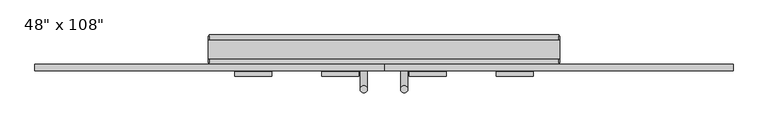
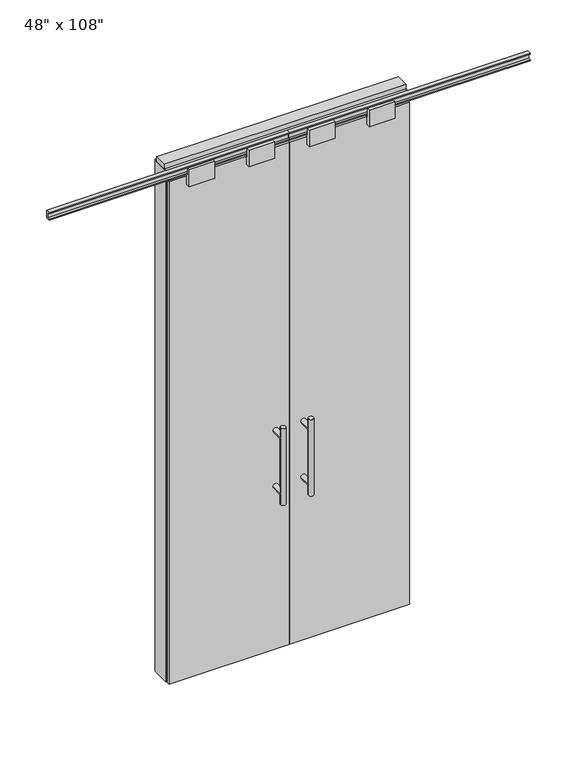
"""IFC4 building model written with IfcOpenShell, lengths in millimetres: furniture geometry."""

from ifc_helpers import new_model, si_unit, frame, origin, origin_with_axes, place, context, project, spatial, polyline, circle_curve, ellipse_curve, outline, extrude, source, transform, mapped, element, save
from ifc_brep_helpers import plane_surface, cylinder_surface, advanced_brep


def furniture_e6066966(model_context):
    return source(origin(), model_context, "Body", "SolidModel", [
        extrude(outline(polyline([(-665.6995229, -74.3677216), (-665.6995229, -64.2077216), (-60.0365229, -64.2077216), (-60.0365229, -74.3677216), (-665.6995229, -74.3677216)])), origin_with_axes(), (0.0, 0.0, 1.0), 2670.81),
        advanced_brep(
        [(-117.3135229, 3.3562784, 1219.2), (-142.7135229, 3.3562784, 1219.2), (-117.3135229, 3.3562784, 812.8), (-142.7135229, 3.3562784, 812.8), (-117.3135229, 3.3562784, 1164.336), (-117.3135229, 3.3562784, 867.664), (-142.7135229, 3.3562784, 867.664), (-142.7135229, 3.3562784, 1164.336), (-117.3135229, -64.2077216, 1164.336), (-142.7135229, -64.2077216, 1164.336), (-117.3135229, -64.2077216, 867.664), (-142.7135229, -64.2077216, 867.664)],
        [
            (0, 1, circle_curve(frame((-130.0135229, 3.3562784, 1219.2), z_axis=(0.0, 0.0, 1.0), x_axis=(-1.0, 0.0, 0.0)), 12.7)),
            (1, 0, circle_curve(frame((-130.0135229, 3.3562784, 1219.2), z_axis=(0.0, 0.0, 1.0), x_axis=(-1.0, 0.0, 0.0)), 12.7)),
            (2, 3, circle_curve(frame((-130.0135229, 3.3562784, 812.8), z_axis=(0.0, 0.0, -1.0), x_axis=(-1.0, 0.0, 0.0)), 12.7)),
            (3, 2, circle_curve(frame((-130.0135229, 3.3562784, 812.8), z_axis=(0.0, 0.0, -1.0), x_axis=(-1.0, 0.0, 0.0)), 12.7)),
            (0, 4),
            (4, 5),
            (5, 2),
            (3, 6),
            (6, 7),
            (7, 1),
            (7, 4, ellipse_curve(frame((-130.0135229, 3.3562784, 1164.336), z_axis=(0.0, 0.707106781186565, 0.70710678118653), x_axis=(0.0, -0.70710678118653, 0.707106781186565)), 17.9605122, 12.7)),
            (5, 6, ellipse_curve(frame((-130.0135229, 3.3562784, 867.664), z_axis=(0.0, 0.70710678118653, -0.7071067811865649), x_axis=(0.0, 0.7071067811865648, 0.7071067811865301)), 17.9605122, 12.7)),
            (4, 7, ellipse_curve(frame((-130.0135229, 3.3562784, 1164.336), z_axis=(0.0, 0.70710678118653, -0.7071067811865649), x_axis=(0.0, 0.7071067811865648, 0.7071067811865301)), 17.9605122, 12.7)),
            (6, 5, ellipse_curve(frame((-130.0135229, 3.3562784, 867.664), z_axis=(0.0, 0.707106781186565, 0.70710678118653), x_axis=(0.0, -0.70710678118653, 0.707106781186565)), 17.9605122, 12.7)),
            (8, 9, circle_curve(frame((-130.0135229, -64.2077216, 1164.336), z_axis=(0.0, -1.0, 0.0), x_axis=(-1.0, 0.0, 0.0)), 12.7)),
            (9, 8, circle_curve(frame((-130.0135229, -64.2077216, 1164.336), z_axis=(0.0, -1.0, 0.0), x_axis=(-1.0, 0.0, 0.0)), 12.7)),
            (9, 7),
            (4, 8),
            (10, 11, circle_curve(frame((-130.0135229, -64.2077216, 867.664), z_axis=(0.0, -1.0, 0.0), x_axis=(-1.0, 0.0, 0.0)), 12.7)),
            (11, 10, circle_curve(frame((-130.0135229, -64.2077216, 867.664), z_axis=(0.0, -1.0, 0.0), x_axis=(-1.0, 0.0, 0.0)), 12.7)),
            (11, 6),
            (5, 10),
        ],
        [
            plane_surface(frame((-142.7135229, 3.3562784, 1219.2), z_axis=(0.0, 0.0, 1.0), x_axis=(0.0, -1.0, 0.0))),
            plane_surface(frame((-142.7135229, 3.3562784, 812.8), z_axis=(0.0, 0.0, -1.0), x_axis=(0.0, 1.0, 0.0))),
            cylinder_surface(frame((-130.0135229, 3.3562784, 812.8), z_axis=(0.0, 0.0, 1.0), x_axis=(-1.0, 0.0, 0.0)), 12.7),
            plane_surface(frame((-142.7135229, -64.2077216, 1164.336), z_axis=(0.0, -1.0, 0.0), x_axis=(0.0, 0.0, -1.0))),
            cylinder_surface(frame((-130.0135229, -64.2077216, 1164.336), z_axis=(0.0, 1.0, 0.0), x_axis=(-1.0, 0.0, 0.0)), 12.7),
            plane_surface(frame((-142.7135229, -64.2077216, 867.664), z_axis=(0.0, -1.0, 0.0), x_axis=(0.0, 0.0, -1.0))),
            cylinder_surface(frame((-130.0135229, -64.2077216, 867.664), z_axis=(0.0, 1.0, 0.0), x_axis=(-1.0, 0.0, 0.0)), 12.7),
        ],
        [
            (0, [[1, 2]]),
            (1, [[3, 4]]),
            (2, [[-1, 5, 6, 7, -4, 8, 9, 10]]),
            (2, [[-2, -10, 11, -5]]),
            (2, [[-3, -7, 12, -8]]),
            (2, [[13, -9, 14, -6]]),
            (3, [[15, 16]]),
            (4, [[-16, 17, -13, 18]]),
            (4, [[-15, -18, -11, -17]]),
            (5, [[19, 20]]),
            (6, [[-20, 21, -12, 22]]),
            (6, [[-19, -22, -14, -21]]),
        ],
    ),
        advanced_brep(
        [(-117.3135229, -141.9317216, 1219.2), (-142.7135229, -141.9317216, 1219.2), (-117.3135229, -141.9317216, 812.8), (-142.7135229, -141.9317216, 812.8), (-142.7135229, -141.9317216, 1164.336), (-142.7135229, -141.9317216, 867.664), (-117.3135229, -141.9317216, 867.664), (-117.3135229, -141.9317216, 1164.336), (-117.3135229, -74.3677216, 1164.336), (-142.7135229, -74.3677216, 1164.336), (-117.3135229, -74.3677216, 867.664), (-142.7135229, -74.3677216, 867.664)],
        [
            (0, 1, circle_curve(frame((-130.0135229, -141.9317216, 1219.2), z_axis=(0.0, 0.0, 1.0), x_axis=(-1.0, 0.0, 0.0)), 12.7)),
            (1, 0, circle_curve(frame((-130.0135229, -141.9317216, 1219.2), z_axis=(0.0, 0.0, 1.0), x_axis=(-1.0, 0.0, 0.0)), 12.7)),
            (2, 3, circle_curve(frame((-130.0135229, -141.9317216, 812.8), z_axis=(0.0, 0.0, -1.0), x_axis=(-1.0, 0.0, 0.0)), 12.7)),
            (3, 2, circle_curve(frame((-130.0135229, -141.9317216, 812.8), z_axis=(0.0, 0.0, -1.0), x_axis=(-1.0, 0.0, 0.0)), 12.7)),
            (1, 4),
            (4, 5),
            (5, 3),
            (2, 6),
            (6, 7),
            (7, 0),
            (6, 5, ellipse_curve(frame((-130.0135229, -141.9317216, 867.664), z_axis=(0.0, -0.707106781186565, 0.70710678118653), x_axis=(0.0, 0.70710678118653, 0.707106781186565)), 17.9605122, 12.7)),
            (4, 7, ellipse_curve(frame((-130.0135229, -141.9317216, 1164.336), z_axis=(0.0, -0.70710678118653, -0.7071067811865649), x_axis=(0.0, -0.7071067811865648, 0.7071067811865301)), 17.9605122, 12.7)),
            (7, 4, ellipse_curve(frame((-130.0135229, -141.9317216, 1164.336), z_axis=(0.0, -0.707106781186565, 0.70710678118653), x_axis=(0.0, 0.70710678118653, 0.707106781186565)), 17.9605122, 12.7)),
            (5, 6, ellipse_curve(frame((-130.0135229, -141.9317216, 867.664), z_axis=(0.0, -0.70710678118653, -0.7071067811865649), x_axis=(0.0, -0.7071067811865648, 0.7071067811865301)), 17.9605122, 12.7)),
            (8, 9, circle_curve(frame((-130.0135229, -74.3677216, 1164.336), z_axis=(0.0, 1.0, 0.0), x_axis=(-1.0, 0.0, 0.0)), 12.7)),
            (9, 8, circle_curve(frame((-130.0135229, -74.3677216, 1164.336), z_axis=(0.0, 1.0, 0.0), x_axis=(-1.0, 0.0, 0.0)), 12.7)),
            (8, 7),
            (4, 9),
            (10, 11, circle_curve(frame((-130.0135229, -74.3677216, 867.664), z_axis=(0.0, 1.0, 0.0), x_axis=(-1.0, 0.0, 0.0)), 12.7)),
            (11, 10, circle_curve(frame((-130.0135229, -74.3677216, 867.664), z_axis=(0.0, 1.0, 0.0), x_axis=(-1.0, 0.0, 0.0)), 12.7)),
            (10, 6),
            (5, 11),
        ],
        [
            plane_surface(frame((-142.7135229, -141.9317216, 1219.2), z_axis=(0.0, 0.0, 1.0), x_axis=(0.0, 1.0, 0.0))),
            plane_surface(frame((-142.7135229, -141.9317216, 812.8), z_axis=(0.0, 0.0, -1.0), x_axis=(0.0, -1.0, 0.0))),
            cylinder_surface(frame((-130.0135229, -141.9317216, 812.8), z_axis=(0.0, 0.0, 1.0), x_axis=(-1.0, 0.0, 0.0)), 12.7),
            plane_surface(frame((-142.7135229, -74.3677216, 1164.336), z_axis=(0.0, 1.0, 0.0), x_axis=(0.0, 0.0, -1.0))),
            cylinder_surface(frame((-130.0135229, -74.3677216, 1164.336), z_axis=(0.0, -1.0, 0.0), x_axis=(-1.0, 0.0, 0.0)), 12.7),
            plane_surface(frame((-142.7135229, -74.3677216, 867.664), z_axis=(0.0, 1.0, 0.0), x_axis=(0.0, 0.0, -1.0))),
            cylinder_surface(frame((-130.0135229, -74.3677216, 867.664), z_axis=(0.0, -1.0, 0.0), x_axis=(-1.0, 0.0, 0.0)), 12.7),
        ],
        [
            (0, [[1, 2]]),
            (1, [[3, 4]]),
            (2, [[5, 6, 7, -3, 8, 9, 10, -2]]),
            (2, [[-9, 11, -6, 12]]),
            (2, [[-10, 13, -5, -1]]),
            (2, [[-7, 14, -8, -4]]),
            (3, [[15, 16]]),
            (4, [[17, -12, 18, -15]]),
            (4, [[-18, -13, -17, -16]]),
            (5, [[19, 20]]),
            (6, [[21, -14, 22, -19]]),
            (6, [[-22, -11, -21, -20]]),
        ],
    ),
        extrude(outline(polyline([(-63.1282216, 2628.9), (-63.1282216, 2670.81), (-75.4472216, 2670.81), (-75.4472216, 2628.9), (-97.6722216, 2628.9), (-97.6722216, 2717.8), (-82.1782216, 2717.8), (-82.1782216, 2676.779), (-59.5722216, 2676.779), (-59.5722216, 2628.9), (-63.1282216, 2628.9)])), frame((-276.3175229, 0.0, 0.0), z_axis=(1.0, 0.0, 0.0), x_axis=(0.0, 1.0, 0.0)), (0.0, 0.0, 1.0), 128.016),
        extrude(outline(polyline([(-63.1282216, 2628.9), (-63.1282216, 2670.81), (-75.4472216, 2670.81), (-75.4472216, 2628.9), (-97.6722216, 2628.9), (-97.6722216, 2717.8), (-82.1782216, 2717.8), (-82.1782216, 2676.779), (-59.5722216, 2676.779), (-59.5722216, 2628.9), (-63.1282216, 2628.9)])), frame((-577.4345229, 0.0, 0.0), z_axis=(1.0, 0.0, 0.0), x_axis=(0.0, 1.0, 0.0)), (0.0, 0.0, 1.0), 128.016),
        extrude(outline(polyline([(-77.9237216, 2681.478), (-77.9237216, 2686.812), (-65.2237216, 2686.812), (-65.2237216, 2715.768), (-77.9237216, 2715.768), (-77.9237216, 2721.102), (-56.2067216, 2721.102), (-56.2067216, 2681.478), (-77.9237216, 2681.478)])), frame((-1271.3625229, 0.0, 0.0), z_axis=(1.0, 0.0, 0.0), x_axis=(0.0, 1.0, 0.0)), (0.0, 0.0, 1.0), 1211.326),
        extrude(outline(polyline([(545.6264771, -74.3677216), (-60.0365229, -74.3677216), (-60.0365229, -64.2077216), (545.6264771, -64.2077216), (545.6264771, -74.3677216)])), origin_with_axes(), (0.0, 0.0, 1.0), 2670.81),
        advanced_brep(
        [(-2.7595229, 3.3562784, 1219.2), (22.6404771, 3.3562784, 1219.2), (-2.7595229, 3.3562784, 812.8), (22.6404771, 3.3562784, 812.8), (22.6404771, 3.3562784, 1164.336), (22.6404771, 3.3562784, 867.664), (-2.7595229, 3.3562784, 867.664), (-2.7595229, 3.3562784, 1164.336), (-2.7595229, -64.2077216, 1164.336), (22.6404771, -64.2077216, 1164.336), (-2.7595229, -64.2077216, 867.664), (22.6404771, -64.2077216, 867.664)],
        [
            (0, 1, circle_curve(frame((9.9404771, 3.3562784, 1219.2), z_axis=(0.0, 0.0, 1.0), x_axis=(1.0, 0.0, 0.0)), 12.7)),
            (1, 0, circle_curve(frame((9.9404771, 3.3562784, 1219.2), z_axis=(0.0, 0.0, 1.0), x_axis=(1.0, 0.0, 0.0)), 12.7)),
            (2, 3, circle_curve(frame((9.9404771, 3.3562784, 812.8), z_axis=(0.0, 0.0, -1.0), x_axis=(1.0, 0.0, 0.0)), 12.7)),
            (3, 2, circle_curve(frame((9.9404771, 3.3562784, 812.8), z_axis=(0.0, 0.0, -1.0), x_axis=(1.0, 0.0, 0.0)), 12.7)),
            (1, 4),
            (4, 5),
            (5, 3),
            (2, 6),
            (6, 7),
            (7, 0),
            (6, 5, ellipse_curve(frame((9.9404771, 3.3562784, 867.664), z_axis=(0.0, 0.707106781186565, 0.70710678118653), x_axis=(0.0, -0.70710678118653, 0.707106781186565)), 17.9605122, 12.7)),
            (4, 7, ellipse_curve(frame((9.9404771, 3.3562784, 1164.336), z_axis=(0.0, 0.70710678118653, -0.7071067811865649), x_axis=(0.0, 0.7071067811865648, 0.7071067811865301)), 17.9605122, 12.7)),
            (7, 4, ellipse_curve(frame((9.9404771, 3.3562784, 1164.336), z_axis=(0.0, 0.707106781186565, 0.70710678118653), x_axis=(0.0, -0.70710678118653, 0.707106781186565)), 17.9605122, 12.7)),
            (5, 6, ellipse_curve(frame((9.9404771, 3.3562784, 867.664), z_axis=(0.0, 0.70710678118653, -0.7071067811865649), x_axis=(0.0, 0.7071067811865648, 0.7071067811865301)), 17.9605122, 12.7)),
            (8, 9, circle_curve(frame((9.9404771, -64.2077216, 1164.336), z_axis=(0.0, -1.0, 0.0), x_axis=(1.0, 0.0, 0.0)), 12.7)),
            (9, 8, circle_curve(frame((9.9404771, -64.2077216, 1164.336), z_axis=(0.0, -1.0, 0.0), x_axis=(1.0, 0.0, 0.0)), 12.7)),
            (8, 7),
            (4, 9),
            (10, 11, circle_curve(frame((9.9404771, -64.2077216, 867.664), z_axis=(0.0, -1.0, 0.0), x_axis=(1.0, 0.0, 0.0)), 12.7)),
            (11, 10, circle_curve(frame((9.9404771, -64.2077216, 867.664), z_axis=(0.0, -1.0, 0.0), x_axis=(1.0, 0.0, 0.0)), 12.7)),
            (10, 6),
            (5, 11),
        ],
        [
            plane_surface(frame((22.6404771, 3.3562784, 1219.2), z_axis=(0.0, 0.0, 1.0), x_axis=(0.0, -1.0, 0.0))),
            plane_surface(frame((22.6404771, 3.3562784, 812.8), z_axis=(0.0, 0.0, -1.0), x_axis=(0.0, 1.0, 0.0))),
            cylinder_surface(frame((9.9404771, 3.3562784, 812.8), z_axis=(0.0, 0.0, 1.0), x_axis=(1.0, 0.0, 0.0)), 12.7),
            plane_surface(frame((22.6404771, -64.2077216, 1164.336), z_axis=(0.0, -1.0, 0.0), x_axis=(0.0, 0.0, -1.0))),
            cylinder_surface(frame((9.9404771, -64.2077216, 1164.336), z_axis=(0.0, 1.0, 0.0), x_axis=(1.0, 0.0, 0.0)), 12.7),
            plane_surface(frame((22.6404771, -64.2077216, 867.664), z_axis=(0.0, -1.0, 0.0), x_axis=(0.0, 0.0, -1.0))),
            cylinder_surface(frame((9.9404771, -64.2077216, 867.664), z_axis=(0.0, 1.0, 0.0), x_axis=(1.0, 0.0, 0.0)), 12.7),
        ],
        [
            (0, [[1, 2]]),
            (1, [[3, 4]]),
            (2, [[5, 6, 7, -3, 8, 9, 10, -2]]),
            (2, [[-9, 11, -6, 12]]),
            (2, [[-10, 13, -5, -1]]),
            (2, [[-7, 14, -8, -4]]),
            (3, [[15, 16]]),
            (4, [[17, -12, 18, -15]]),
            (4, [[-18, -13, -17, -16]]),
            (5, [[19, 20]]),
            (6, [[21, -14, 22, -19]]),
            (6, [[-22, -11, -21, -20]]),
        ],
    ),
        advanced_brep(
        [(-2.7595229, -141.9317216, 1219.2), (22.6404771, -141.9317216, 1219.2), (-2.7595229, -141.9317216, 812.8), (22.6404771, -141.9317216, 812.8), (-2.7595229, -141.9317216, 1164.336), (-2.7595229, -141.9317216, 867.664), (22.6404771, -141.9317216, 867.664), (22.6404771, -141.9317216, 1164.336), (-2.7595229, -74.3677216, 1164.336), (22.6404771, -74.3677216, 1164.336), (-2.7595229, -74.3677216, 867.664), (22.6404771, -74.3677216, 867.664)],
        [
            (0, 1, circle_curve(frame((9.9404771, -141.9317216, 1219.2), z_axis=(0.0, 0.0, 1.0), x_axis=(1.0, 0.0, 0.0)), 12.7)),
            (1, 0, circle_curve(frame((9.9404771, -141.9317216, 1219.2), z_axis=(0.0, 0.0, 1.0), x_axis=(1.0, 0.0, 0.0)), 12.7)),
            (2, 3, circle_curve(frame((9.9404771, -141.9317216, 812.8), z_axis=(0.0, 0.0, -1.0), x_axis=(1.0, 0.0, 0.0)), 12.7)),
            (3, 2, circle_curve(frame((9.9404771, -141.9317216, 812.8), z_axis=(0.0, 0.0, -1.0), x_axis=(1.0, 0.0, 0.0)), 12.7)),
            (0, 4),
            (4, 5),
            (5, 2),
            (3, 6),
            (6, 7),
            (7, 1),
            (7, 4, ellipse_curve(frame((9.9404771, -141.9317216, 1164.336), z_axis=(0.0, -0.707106781186565, 0.70710678118653), x_axis=(0.0, 0.70710678118653, 0.707106781186565)), 17.9605122, 12.7)),
            (5, 6, ellipse_curve(frame((9.9404771, -141.9317216, 867.664), z_axis=(0.0, -0.70710678118653, -0.7071067811865649), x_axis=(0.0, -0.7071067811865648, 0.7071067811865301)), 17.9605122, 12.7)),
            (4, 7, ellipse_curve(frame((9.9404771, -141.9317216, 1164.336), z_axis=(0.0, -0.70710678118653, -0.7071067811865649), x_axis=(0.0, -0.7071067811865648, 0.7071067811865301)), 17.9605122, 12.7)),
            (6, 5, ellipse_curve(frame((9.9404771, -141.9317216, 867.664), z_axis=(0.0, -0.707106781186565, 0.70710678118653), x_axis=(0.0, 0.70710678118653, 0.707106781186565)), 17.9605122, 12.7)),
            (8, 9, circle_curve(frame((9.9404771, -74.3677216, 1164.336), z_axis=(0.0, 1.0, 0.0), x_axis=(1.0, 0.0, 0.0)), 12.7)),
            (9, 8, circle_curve(frame((9.9404771, -74.3677216, 1164.336), z_axis=(0.0, 1.0, 0.0), x_axis=(1.0, 0.0, 0.0)), 12.7)),
            (9, 7),
            (4, 8),
            (10, 11, circle_curve(frame((9.9404771, -74.3677216, 867.664), z_axis=(0.0, 1.0, 0.0), x_axis=(1.0, 0.0, 0.0)), 12.7)),
            (11, 10, circle_curve(frame((9.9404771, -74.3677216, 867.664), z_axis=(0.0, 1.0, 0.0), x_axis=(1.0, 0.0, 0.0)), 12.7)),
            (11, 6),
            (5, 10),
        ],
        [
            plane_surface(frame((22.6404771, -141.9317216, 1219.2), z_axis=(0.0, 0.0, 1.0), x_axis=(0.0, 1.0, 0.0))),
            plane_surface(frame((22.6404771, -141.9317216, 812.8), z_axis=(0.0, 0.0, -1.0), x_axis=(0.0, -1.0, 0.0))),
            cylinder_surface(frame((9.9404771, -141.9317216, 812.8), z_axis=(0.0, 0.0, 1.0), x_axis=(1.0, 0.0, 0.0)), 12.7),
            plane_surface(frame((22.6404771, -74.3677216, 1164.336), z_axis=(0.0, 1.0, 0.0), x_axis=(0.0, 0.0, -1.0))),
            cylinder_surface(frame((9.9404771, -74.3677216, 1164.336), z_axis=(0.0, -1.0, 0.0), x_axis=(1.0, 0.0, 0.0)), 12.7),
            plane_surface(frame((22.6404771, -74.3677216, 867.664), z_axis=(0.0, 1.0, 0.0), x_axis=(0.0, 0.0, -1.0))),
            cylinder_surface(frame((9.9404771, -74.3677216, 867.664), z_axis=(0.0, -1.0, 0.0), x_axis=(1.0, 0.0, 0.0)), 12.7),
        ],
        [
            (0, [[1, 2]]),
            (1, [[3, 4]]),
            (2, [[-1, 5, 6, 7, -4, 8, 9, 10]]),
            (2, [[-2, -10, 11, -5]]),
            (2, [[-3, -7, 12, -8]]),
            (2, [[13, -9, 14, -6]]),
            (3, [[15, 16]]),
            (4, [[-16, 17, -13, 18]]),
            (4, [[-15, -18, -11, -17]]),
            (5, [[19, 20]]),
            (6, [[-20, 21, -12, 22]]),
            (6, [[-19, -22, -14, -21]]),
        ],
    ),
        extrude(outline(polyline([(-63.1282216, 2628.9), (-63.1282216, 2670.81), (-75.4472216, 2670.81), (-75.4472216, 2628.9), (-97.6722216, 2628.9), (-97.6722216, 2717.8), (-82.1782216, 2717.8), (-82.1782216, 2676.779), (-59.5722216, 2676.779), (-59.5722216, 2628.9), (-63.1282216, 2628.9)])), frame((28.2284771, 0.0, 0.0), z_axis=(1.0, 0.0, 0.0), x_axis=(0.0, 1.0, 0.0)), (0.0, 0.0, 1.0), 128.016),
        extrude(outline(polyline([(-63.1282216, 2628.9), (-63.1282216, 2670.81), (-75.4472216, 2670.81), (-75.4472216, 2628.9), (-97.6722216, 2628.9), (-97.6722216, 2717.8), (-82.1782216, 2717.8), (-82.1782216, 2676.779), (-59.5722216, 2676.779), (-59.5722216, 2628.9), (-63.1282216, 2628.9)])), frame((329.3454771, 0.0, 0.0), z_axis=(1.0, 0.0, 0.0), x_axis=(0.0, 1.0, 0.0)), (0.0, 0.0, 1.0), 128.016),
        extrude(outline(polyline([(-77.9237216, 2681.478), (-77.9237216, 2686.812), (-65.2237216, 2686.812), (-65.2237216, 2715.768), (-77.9237216, 2715.768), (-77.9237216, 2721.102), (-56.2067216, 2721.102), (-56.2067216, 2681.478), (-77.9237216, 2681.478)])), frame((-60.0365229, 0.0, 0.0), z_axis=(1.0, 0.0, 0.0), x_axis=(0.0, 1.0, 0.0)), (0.0, 0.0, 1.0), 1211.326),
        extrude(outline(polyline([(-665.6995229, -55.3177216), (-665.6995229, 46.2822784), (545.6264771, 46.2822784), (545.6264771, -55.3177216), (-665.6995229, -55.3177216)])), frame((0.0, 0.0, 2654.3), z_axis=(0.0, 0.0, 1.0), x_axis=(1.0, 0.0, 0.0)), (0.0, 0.0, 1.0), 22.225),
        extrude(outline(polyline([(549.5634771, -50.3647216), (545.6264771, -50.3647216), (545.6264771, 41.3292784), (549.5634771, 41.3292784), (549.5634771, -50.3647216)])), origin_with_axes(), (0.0, 0.0, 1.0), 2717.8),
        extrude(outline(polyline([(-669.6365229, -50.3647216), (-669.6365229, 41.3292784), (-665.6995229, 41.3292784), (-665.6995229, -50.3647216), (-669.6365229, -50.3647216)])), origin_with_axes(), (0.0, 0.0, 1.0), 2717.8),
        extrude(outline(polyline([(523.4014771, -55.3177216), (523.4014771, 46.2822784), (545.6264771, 46.2822784), (545.6264771, -55.3177216), (523.4014771, -55.3177216)])), origin_with_axes(), (0.0, 0.0, 1.0), 2654.3),
        extrude(outline(polyline([(-643.4745229, -55.3177216), (-665.6995229, -55.3177216), (-665.6995229, 46.2822784), (-643.4745229, 46.2822784), (-643.4745229, -55.3177216)])), origin_with_axes(), (0.0, 0.0, 1.0), 2654.3),
        extrude(outline(polyline([(-55.3177216, 2681.478), (-55.3177216, 2717.8), (46.2822784, 2717.8), (46.2822784, 2681.478), (41.3292784, 2681.478), (41.3292784, 2676.525), (-50.3647216, 2676.525), (-50.3647216, 2681.478), (-55.3177216, 2681.478)])), frame((-665.6995229, 0.0, 0.0), z_axis=(1.0, 0.0, 0.0), x_axis=(0.0, 1.0, 0.0)), (0.0, 0.0, 1.0), 1211.326),
        extrude(outline(polyline([(-669.6365229, -37.0297216), (-669.6365229, 27.9942784), (549.5634771, 27.9942784), (549.5634771, -37.0297216), (-669.6365229, -37.0297216)])), frame((0.0, 0.0, 2717.8), z_axis=(0.0, 0.0, 1.0), x_axis=(1.0, 0.0, 0.0)), (0.0, 0.0, 1.0), 25.4),
    ])


if __name__ == "__main__":
    model = new_model("IFC4")
    model_context = context("Model", 3, world=origin())
    ifc_project = project(units=[si_unit("LENGTHUNIT", "METRE", prefix="MILLI")], contexts=[model_context])
    site = spatial("IfcSite", under=ifc_project)
    building = spatial("IfcBuilding", under=site)
    placement = place(None, origin())
    furniture_shape = furniture_e6066966(model_context)
    element("IfcFurniture", 1, ObjectType="48\" x 108\"", at=placement, inside=building, context=model_context, shape_type="MappedRepresentation", body=[
        mapped(furniture_shape, transform((0.0, 0.0, 0.0), x_axis=(1.0, 0.0, 0.0), y_axis=(0.0, 1.0, 0.0), z_axis=(0.0, 0.0, 1.0))),
    ])
    save(model, "model.ifc")
